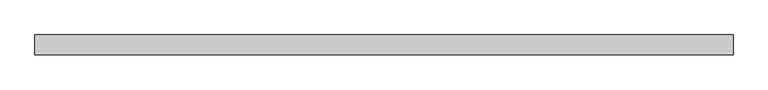
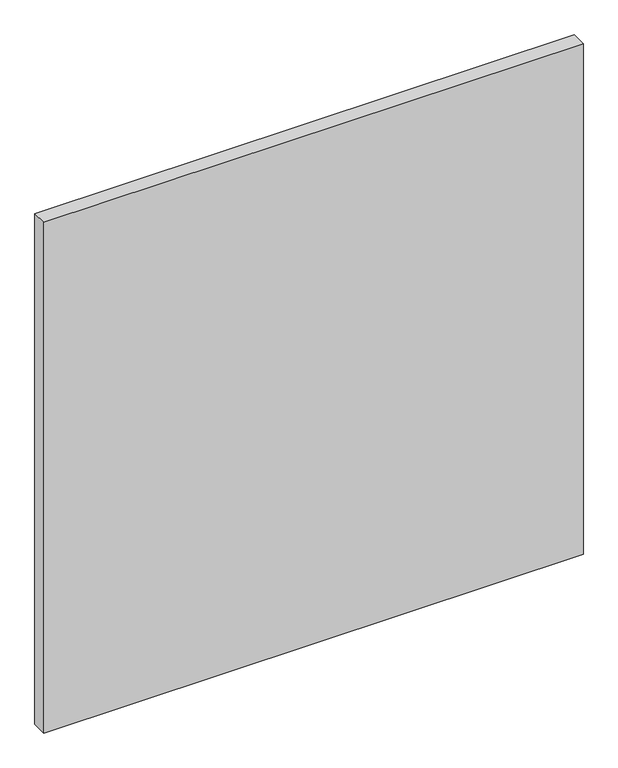
"""IFC4 building model written with IfcOpenShell, lengths in millimetres: plate geometry."""

from ifc_helpers import new_model, si_unit, origin, origin_with_axes, place, context, project, spatial, polyline, outline, extrude, source, transform, mapped, element, save


def plate_576b96be(model_context):
    return source(origin(), model_context, "Body", "SweptSolid", [
        extrude(outline(polyline([(704.453125, 19.84375), (704.453125, -19.84375), (-704.453125, -19.84375), (-704.453125, 19.84375), (704.453125, 19.84375)])), origin_with_axes(), (0.0, 0.0, 1.0), 1408.90625),
    ])


if __name__ == "__main__":
    model = new_model("IFC4")
    model_context = context("Model", 3, world=origin())
    ifc_project = project(units=[si_unit("LENGTHUNIT", "METRE", prefix="MILLI")], contexts=[model_context])
    site = spatial("IfcSite", under=ifc_project)
    building = spatial("IfcBuilding", under=site)
    placement = place(None, origin())
    plate_shape = plate_576b96be(model_context)
    element("IfcPlate", 1, at=placement, inside=building, context=model_context, shape_type="MappedRepresentation", body=[
        mapped(plate_shape, transform((0.0, 0.0, 0.0), x_axis=(1.0, 0.0, 0.0), y_axis=(0.0, 1.0, 0.0), z_axis=(0.0, 0.0, 1.0))),
    ])
    save(model, "model.ifc")
